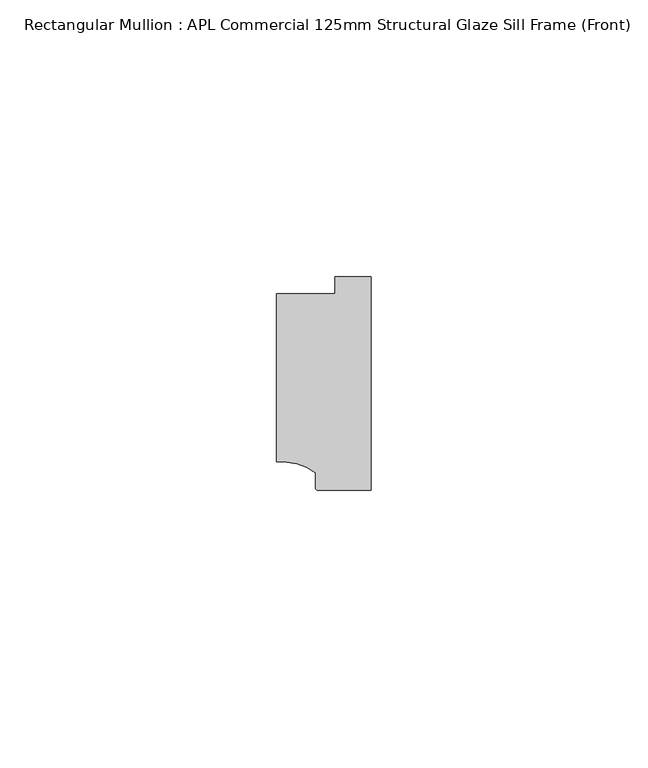
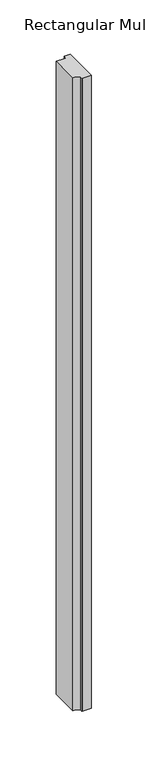
"""IFC4 building model written with IfcOpenShell, lengths in millimetres: member geometry, Rectangular Mullion : APL Commercial 125mm Structural Glaze Sill Frame (Front)."""

from ifc_helpers import new_model, si_unit, point, frame, frame_2d, origin, place, context, project, spatial, polyline, circle_curve, trimmed, segment, composite_curve, outline, extrude, source, transform, mapped, element, save


def rectangular_mullion_apl_commercial_125mm_structural_glaze_2cce4036(model_context):
    return source(origin(), model_context, "Body", "SweptSolid", [
        extrude(outline(composite_curve([segment(polyline([(-16.999942, -15.3793144), (-16.999942, 15.0004332), (-6.5000029, 15.0004332), (-6.5000029, 18.0281616), (0.0, 18.0281616), (0.0, -20.49978), (-9.5000029, -20.49978)]), True, "CONTINUOUS"), segment(trimmed(circle_curve(frame_2d((-9.5000029, -19.99978)), 0.5), [point((-9.5000029, -20.49978))], [point((-10.0, -19.9980675))], False, "CARTESIAN"), True, "CONTINUOUS"), segment(polyline([(-10.0, -19.9980675), (-10.0, -17.3120901)]), True, "CONTINUOUS"), segment(trimmed(circle_curve(frame_2d((-16.1098048, -25.7977481)), 10.4563907), [point((-10.0, -17.3120901))], [point((-16.999942, -15.3793144))], True, "CARTESIAN"), True, "CONTINUOUS")], self_intersect=False)), frame((0.0, 0.0, -710.0244478), z_axis=(0.0, 0.0, 1.0), x_axis=(1.0, 0.0, 0.0)), (0.0, 0.0, 1.0), 710.0244478),
    ])


if __name__ == "__main__":
    model = new_model("IFC4")
    model_context = context("Model", 3, world=origin())
    ifc_project = project(units=[si_unit("LENGTHUNIT", "METRE", prefix="MILLI")], contexts=[model_context])
    site = spatial("IfcSite", under=ifc_project)
    building = spatial("IfcBuilding", under=site)
    placement = place(None, origin())
    rectangular_mullion_apl_commercial_125mm_structural_glaze_shape = rectangular_mullion_apl_commercial_125mm_structural_glaze_2cce4036(model_context)
    element("IfcMember", 1, ObjectType="Rectangular Mullion : APL Commercial 125mm Structural Glaze Sill Frame (Front)", at=placement, inside=building, context=model_context, shape_type="MappedRepresentation", body=[
        mapped(rectangular_mullion_apl_commercial_125mm_structural_glaze_shape, transform((0.0, 0.0, 0.0), x_axis=(1.0, 0.0, 0.0), y_axis=(0.0, 1.0, 0.0), z_axis=(0.0, 0.0, 1.0))),
    ])
    save(model, "model.ifc")
